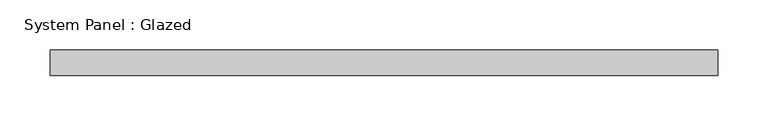
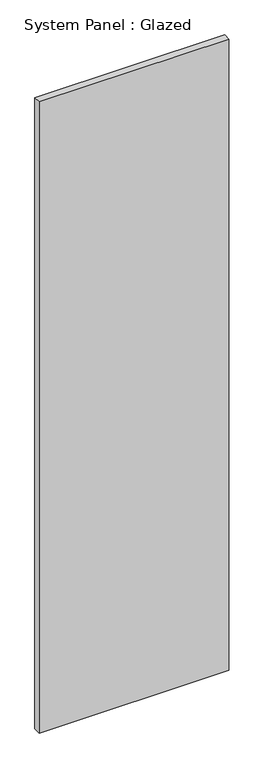
"""IFC4 building model written with IfcOpenShell, lengths in millimetres: plate geometry, System Panel : Glazed."""

from ifc_helpers import new_model, si_unit, origin, origin_with_axes, place, context, project, spatial, polyline, outline, extrude, source, transform, mapped, element, save


def system_panel_glazed_0866012f(model_context):
    return source(origin(), model_context, "Body", "SweptSolid", [
        extrude(outline(polyline([(333.375, 19.05), (-333.375, 19.05), (-333.375, 44.45), (333.375, 44.45), (333.375, 19.05)])), origin_with_axes(), (0.0, 0.0, 1.0), 2343.15),
    ])


if __name__ == "__main__":
    model = new_model("IFC4")
    model_context = context("Model", 3, world=origin())
    ifc_project = project(units=[si_unit("LENGTHUNIT", "METRE", prefix="MILLI")], contexts=[model_context])
    site = spatial("IfcSite", under=ifc_project)
    building = spatial("IfcBuilding", under=site)
    placement = place(None, origin())
    system_panel_glazed_shape = system_panel_glazed_0866012f(model_context)
    element("IfcPlate", 1, ObjectType="System Panel : Glazed", at=placement, inside=building, context=model_context, shape_type="MappedRepresentation", body=[
        mapped(system_panel_glazed_shape, transform((0.0, 0.0, 0.0), x_axis=(1.0, 0.0, 0.0), y_axis=(0.0, 1.0, 0.0), z_axis=(0.0, 0.0, 1.0))),
    ])
    save(model, "model.ifc")
